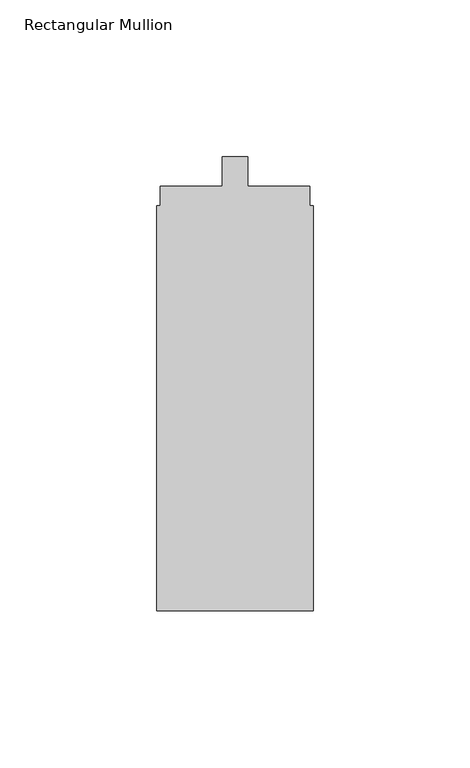
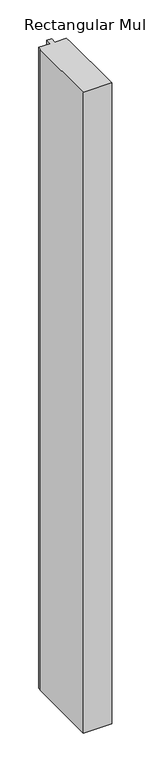
"""IFC4 building model written with IfcOpenShell, lengths in millimetres: member geometry, Rectangular Mullion."""

from ifc_helpers import new_model, si_unit, frame, origin, place, context, project, spatial, polyline, outline, extrude, source, transform, mapped, element, save


def rectangular_mullion_a7415965(model_context):
    return source(origin(), model_context, "Body", "SweptSolid", [
        extrude(outline(polyline([(-50.0, -152.3), (-50.0, -23.0), (-48.8217337, -23.0), (-48.8217337, -16.8), (-29.1, -16.8), (-29.1, -7.3), (-20.9, -7.3), (-20.9, -16.8), (-1.1, -16.8), (-1.1, -23.0), (0.0, -23.0), (0.0, -152.3), (-50.0, -152.3)])), frame((0.0, 0.0, -1175.0), z_axis=(0.0, 0.0, 1.0), x_axis=(1.0, 0.0, 0.0)), (0.0, 0.0, 1.0), 1175.0),
    ])


if __name__ == "__main__":
    model = new_model("IFC4")
    model_context = context("Model", 3, world=origin())
    ifc_project = project(units=[si_unit("LENGTHUNIT", "METRE", prefix="MILLI")], contexts=[model_context])
    site = spatial("IfcSite", under=ifc_project)
    building = spatial("IfcBuilding", under=site)
    placement = place(None, origin())
    rectangular_mullion_shape = rectangular_mullion_a7415965(model_context)
    element("IfcMember", 1, ObjectType="Rectangular Mullion", at=placement, inside=building, context=model_context, shape_type="MappedRepresentation", body=[
        mapped(rectangular_mullion_shape, transform((0.0, 0.0, 0.0), x_axis=(1.0, 0.0, 0.0), y_axis=(0.0, 1.0, 0.0), z_axis=(0.0, 0.0, 1.0))),
    ])
    save(model, "model.ifc")
